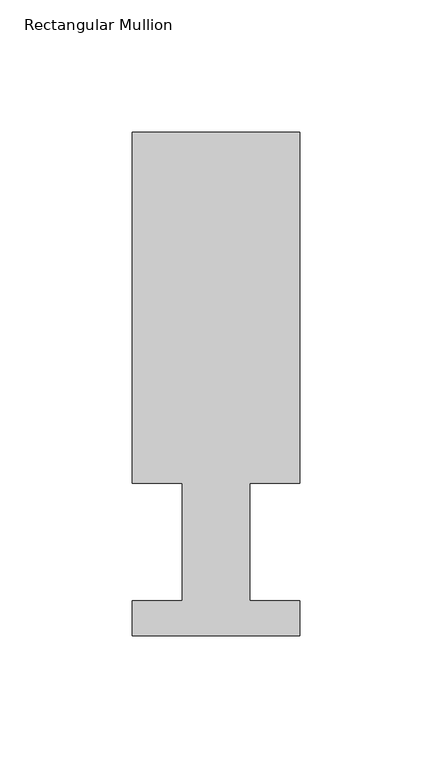
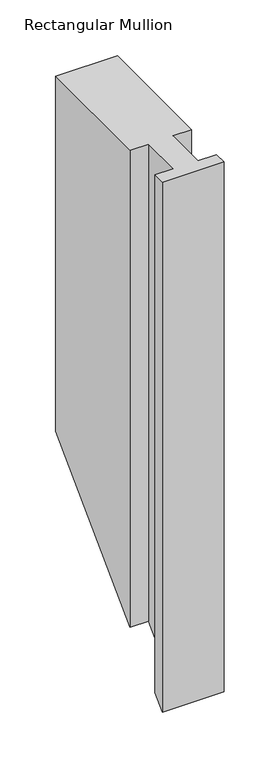
"""IFC4 building model written with IfcOpenShell, lengths in millimetres: member geometry, Rectangular Mullion."""

from ifc_helpers import new_model, si_unit, origin, place, context, project, spatial, faceted_brep, source, transform, mapped, element, save


def rectangular_mullion_144a9714(model_context):
    return source(origin(), model_context, "Body", "Brep", [
        faceted_brep([(-63.5, 190.5896938, 0.0), (-63.5, 57.6460937, 0.0), (-44.45, 57.6460937, 0.0), (-44.45, 13.1960938, 0.0), (-63.5, 13.1960938, 0.0), (-63.5, 0.0134938, 0.0), (0.0, 0.0134938, 0.0), (0.0, 13.1960938, 0.0), (-19.0373, 13.1960938, 0.0), (-19.0373, 57.6460937, 0.0), (0.0, 57.6460937, 0.0), (0.0, 190.5896938, 0.0), (-63.5, 190.5896938, -387.2603062), (-63.5, 57.6460937, -520.2039063), (-44.45, 57.6460937, -520.2039063), (-44.45, 13.1960938, -564.6539062), (-63.5, 13.1960938, -564.6539062), (-63.5, 0.0134938, -577.8365062), (0.0, 0.0134938, -577.8365062), (0.0, 13.1960938, -564.6539062), (-19.0373, 13.1960938, -564.6539062), (-19.0373, 57.6460937, -520.2039063), (0.0, 57.6460937, -520.2039063), (0.0, 190.5896938, -387.2603062)], [[[0, 1, 2, 3, 4, 5, 6, 7, 8, 9, 10, 11]], [[1, 0, 12, 13]], [[2, 1, 13, 14]], [[3, 2, 14, 15]], [[4, 3, 15, 16]], [[5, 4, 16, 17]], [[6, 5, 17, 18]], [[7, 6, 18, 19]], [[8, 7, 19, 20]], [[9, 8, 20, 21]], [[10, 9, 21, 22]], [[11, 10, 22, 23]], [[0, 11, 23, 12]], [[12, 23, 22, 21, 20, 19, 18, 17, 16, 15, 14, 13]]]),
    ])


if __name__ == "__main__":
    model = new_model("IFC4")
    model_context = context("Model", 3, world=origin())
    ifc_project = project(units=[si_unit("LENGTHUNIT", "METRE", prefix="MILLI")], contexts=[model_context])
    site = spatial("IfcSite", under=ifc_project)
    building = spatial("IfcBuilding", under=site)
    placement = place(None, origin())
    rectangular_mullion_shape = rectangular_mullion_144a9714(model_context)
    element("IfcMember", 1, ObjectType="Rectangular Mullion", at=placement, inside=building, context=model_context, shape_type="MappedRepresentation", body=[
        mapped(rectangular_mullion_shape, transform((0.0, 0.0, 0.0), x_axis=(1.0, 0.0, 0.0), y_axis=(0.0, 1.0, 0.0), z_axis=(0.0, 0.0, 1.0))),
    ])
    save(model, "model.ifc")
